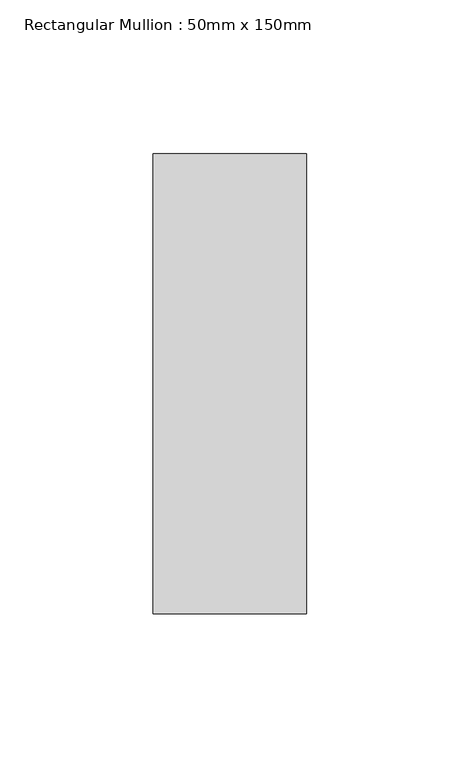
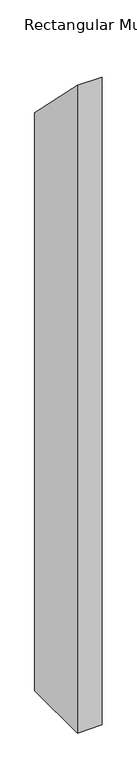
"""IFC4 building model written with IfcOpenShell, lengths in millimetres: member geometry, Rectangular Mullion : 50mm x 150mm."""

from ifc_helpers import new_model, si_unit, frame, origin, place, context, project, spatial, polyline, outline, extrude, source, transform, mapped, element, save


def rectangular_mullion_50mm_x_150mm_da790382(model_context):
    return source(origin(), model_context, "Body", "SweptSolid", [
        extrude(outline(polyline([(-75.0, 75.0), (75.0, -75.0), (75.0, -1315.0), (-75.0, -1315.0), (-75.0, 75.0)])), frame((-50.0, 0.0, 0.0), z_axis=(1.0, 0.0, 0.0), x_axis=(0.0, 1.0, 0.0)), (0.0, 0.0, 1.0), 50.0),
    ])


if __name__ == "__main__":
    model = new_model("IFC4")
    model_context = context("Model", 3, world=origin())
    ifc_project = project(units=[si_unit("LENGTHUNIT", "METRE", prefix="MILLI")], contexts=[model_context])
    site = spatial("IfcSite", under=ifc_project)
    building = spatial("IfcBuilding", under=site)
    placement = place(None, origin())
    rectangular_mullion_50mm_x_150mm_shape = rectangular_mullion_50mm_x_150mm_da790382(model_context)
    element("IfcMember", 1, ObjectType="Rectangular Mullion : 50mm x 150mm", at=placement, inside=building, context=model_context, shape_type="MappedRepresentation", body=[
        mapped(rectangular_mullion_50mm_x_150mm_shape, transform((0.0, 0.0, 0.0), x_axis=(1.0, 0.0, 0.0), y_axis=(0.0, 1.0, 0.0), z_axis=(0.0, 0.0, 1.0))),
    ])
    save(model, "model.ifc")
